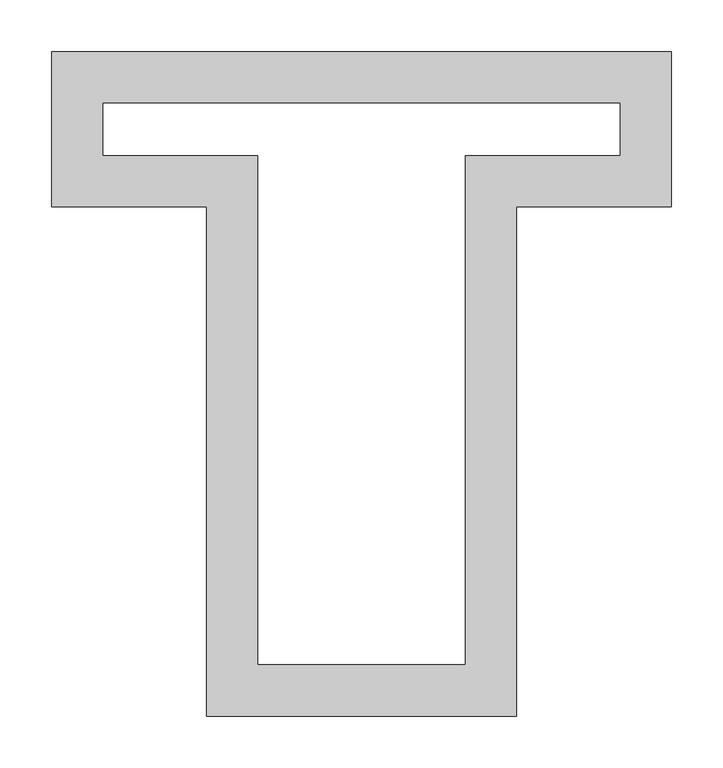
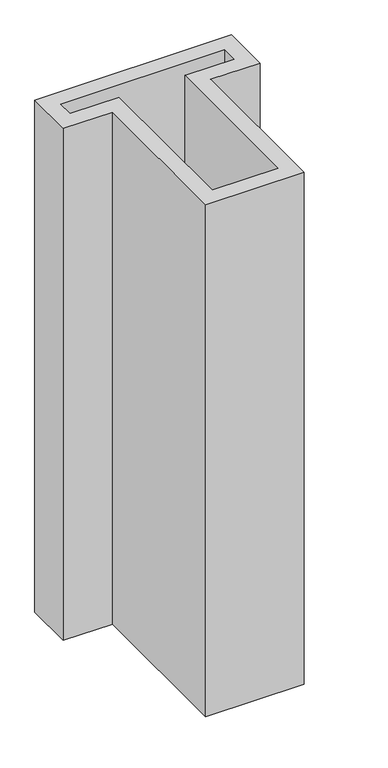
"""IFC4 building model written with IfcOpenShell, lengths in millimetres: proxy geometry."""

import ifcopenshell
import ifcopenshell.guid

model = None  # the IFC model being written
_history = None  # IfcOwnerHistory: only IFC2X3 demands one
_inside = {}  # id of a spatial element -> (the spatial element, [elements in it])
_under = {}  # id of a project, library or spatial element -> (it, [spatial elements below it])
_declared = {}  # id of a project -> (the project, [libraries it declares])
_typed = {}  # id of a type object -> (the type object, [elements of that type])
_made_of = {}  # id of a material, layer set ... -> (it, [elements and type objects made of it])


def new_model(schema):
    """Start an empty IFC model of exactly this schema.

    Asked for "IFC4X3", IfcOpenShell would pick the latest addendum, in which some entities
    have other attributes; the version numbers below select the first issue.
    IFC2X3 requires an IfcOwnerHistory on every rooted entity: one is made here for all.
    """
    global model, _history
    if schema == "IFC4X3":
        model = ifcopenshell.file(schema_version=(4, 3, 0, 0))
    else:
        model = ifcopenshell.file(schema=schema)
    _inside.clear()
    _under.clear()
    _declared.clear()
    _typed.clear()
    _made_of.clear()
    _history = None
    if model.schema == "IFC2X3":
        org = make("IfcOrganization", Name="unknown")
        user = make(
            "IfcPersonAndOrganization",
            ThePerson=make("IfcPerson", FamilyName="unknown"),
            TheOrganization=org,
        )
        app = make(
            "IfcApplication",
            ApplicationDeveloper=org,
            Version="unknown",
            ApplicationFullName="unknown",
            ApplicationIdentifier="unknown",
        )
        _history = make(
            "IfcOwnerHistory",
            OwningUser=user,
            OwningApplication=app,
            ChangeAction="ADDED",
            CreationDate=0,
        )
    return model


def make(cls, **values):
    """One entity of the class cls with the attributes given. An attribute that is None is left unset."""
    return model.create_entity(
        cls, **{name: value for name, value in values.items() if value is not None}
    )


def rooted(cls, **values):
    """An entity with a GlobalId (a new one), such as an element, a storey or a relation."""
    return make(cls, GlobalId=ifcopenshell.guid.new(), OwnerHistory=_history, **values)


def si_unit(unit_type, name, prefix=None):
    """IfcSIUnit, for example si_unit("LENGTHUNIT", "METRE", prefix="MILLI")."""
    return make("IfcSIUnit", UnitType=unit_type, Prefix=prefix, Name=name)


def assignment(units):
    """IfcUnitAssignment: the units of a project."""
    return None if units is None else make("IfcUnitAssignment", Units=units)


def point(xyz):
    """IfcCartesianPoint."""
    return None if xyz is None else make("IfcCartesianPoint", Coordinates=xyz)


def direction(xyz):
    """IfcDirection."""
    return None if xyz is None else make("IfcDirection", DirectionRatios=xyz)


def frame(location, z_axis=None, x_axis=None):
    """IfcAxis2Placement3D, a coordinate frame: its origin and axes. An axis left out is left unset."""
    return make(
        "IfcAxis2Placement3D",
        Location=point(location),
        Axis=direction(z_axis),
        RefDirection=direction(x_axis),
    )


def origin():
    """The frame at (0, 0, 0) with its axes left unset."""
    return frame((0.0, 0.0, 0.0))


def origin_with_axes():
    """The frame at (0, 0, 0) with the z axis (0, 0, 1) and the x axis (1, 0, 0) written out."""
    return frame((0.0, 0.0, 0.0), z_axis=(0.0, 0.0, 1.0), x_axis=(1.0, 0.0, 0.0))


def place(relative_to, where):
    """IfcLocalPlacement: puts the frame where relative to a parent placement (None: the world)."""
    return make(
        "IfcLocalPlacement", PlacementRelTo=relative_to, RelativePlacement=where
    )


def context(
    kind, dimensions, precision=None, world=None, true_north=None, identifier=None
):
    """IfcGeometricRepresentationContext, for example the 3D "Model" context."""
    return make(
        "IfcGeometricRepresentationContext",
        ContextIdentifier=identifier,
        ContextType=kind,
        CoordinateSpaceDimension=dimensions,
        Precision=precision,
        WorldCoordinateSystem=world,
        TrueNorth=true_north,
    )


def project(units=None, contexts=None):
    """IfcProject with its units and contexts."""
    return rooted(
        "IfcProject",
        Name="project",
        RepresentationContexts=contexts,
        UnitsInContext=assignment(units),
    )


def spatial(cls, under=None, at=None, **own):
    """A site, building, storey or space (cls), placed at a placement, below another one or the project."""
    s = rooted(cls, ObjectPlacement=at, **own)
    if under is not None:
        _under.setdefault(under.id(), (under, []))[1].append(s)
    return s


def polyline(points):
    """IfcPolyline through the points."""
    return make("IfcPolyline", Points=[point(p) for p in points])


def outline(outer, holes=None, kind="AREA"):
    """IfcArbitraryClosedProfileDef: a profile drawn as a closed curve; with holes, ...WithVoids."""
    if holes is None:
        return make("IfcArbitraryClosedProfileDef", ProfileType=kind, OuterCurve=outer)
    return make(
        "IfcArbitraryProfileDefWithVoids",
        ProfileType=kind,
        OuterCurve=outer,
        InnerCurves=holes,
    )


def extrude(swept, where, along, depth):
    """IfcExtrudedAreaSolid: the profile swept, set in the frame where, extruded along a direction by depth."""
    return make(
        "IfcExtrudedAreaSolid",
        SweptArea=swept,
        Position=where,
        ExtrudedDirection=direction(along),
        Depth=depth,
    )


def shape(context_of_items, identifier, shape_type, items):
    """IfcShapeRepresentation: the items that make up one representation, for example the "Body"."""
    return make(
        "IfcShapeRepresentation",
        ContextOfItems=context_of_items,
        RepresentationIdentifier=identifier,
        RepresentationType=shape_type,
        Items=items,
    )


def source(mapping_origin, context_of_items, identifier, shape_type, items):
    """IfcRepresentationMap: a shape defined once, which mapped items show again and again."""
    return make(
        "IfcRepresentationMap",
        MappingOrigin=mapping_origin,
        MappedRepresentation=shape(context_of_items, identifier, shape_type, items),
    )


def transform(
    local_origin,
    x_axis=None,
    y_axis=None,
    z_axis=None,
    scale=None,
    scale2=None,
    scale3=None,
    uniform=True,
):
    """IfcCartesianTransformationOperator3D, or its non-uniform kind. x_axis, y_axis, z_axis: its Axis1, 2, 3."""
    if uniform:
        return make(
            "IfcCartesianTransformationOperator3D",
            Axis1=direction(x_axis),
            Axis2=direction(y_axis),
            LocalOrigin=point(local_origin),
            Scale=scale,
            Axis3=direction(z_axis),
        )
    return make(
        "IfcCartesianTransformationOperator3DnonUniform",
        Axis1=direction(x_axis),
        Axis2=direction(y_axis),
        LocalOrigin=point(local_origin),
        Scale=scale,
        Axis3=direction(z_axis),
        Scale2=scale2,
        Scale3=scale3,
    )


def mapped(mapping_source, mapping_target):
    """IfcMappedItem: shows the shape of a source again, moved by a transform."""
    return make(
        "IfcMappedItem", MappingSource=mapping_source, MappingTarget=mapping_target
    )


def made_of(thing, what):
    """Note that an element or type object is made of a material, layer set ...; save() writes the relation."""
    if what is not None:
        _made_of.setdefault(what.id(), (what, []))[1].append(thing)
    return thing


def element(
    cls,
    number,
    at=None,
    inside=None,
    cuts=None,
    type_object=None,
    material=None,
    context=None,
    identifier="Body",
    shape_type=None,
    held_by="IfcProductDefinitionShape",
    body=None,
    shapes=None,
    **own,
):
    """One element of the class cls, such as IfcWall. Its Tag is "e" and its number.

    at: its placement. inside: the storey or other place that contains it. cuts: it is an
    opening in that element (IfcRelVoidsElement). A single representation is given by context,
    identifier, shape_type and body (its items); several are given by shapes. held_by: the class
    of the entity that holds the representations. save() writes the other relations.
    """
    e = rooted(cls, Tag="e%d" % number, ObjectPlacement=at, **own)
    if body is not None:
        shapes = [shape(context, identifier, shape_type, body)]
    if shapes is not None:
        e.Representation = make(held_by, Representations=shapes)
    if inside is not None:
        _inside.setdefault(inside.id(), (inside, []))[1].append(e)
    if cuts is not None:
        rooted(
            "IfcRelVoidsElement", RelatingBuildingElement=cuts, RelatedOpeningElement=e
        )
    if type_object is not None:
        _typed.setdefault(type_object.id(), (type_object, []))[1].append(e)
    return made_of(e, material)


def aggregate(whole, parts):
    """IfcRelAggregates: a whole, such as a stair, and the parts it consists of."""
    return rooted("IfcRelAggregates", RelatingObject=whole, RelatedObjects=parts)


def save(model, path):
    """Write the relations noted so far, then the file.

    IfcRelAggregates (storeys below a building ...), IfcRelContainedInSpatialStructure (elements
    in a storey), IfcRelDefinesByType, IfcRelAssociatesMaterial and IfcRelDeclares: one each for
    every whole, place, type object, material and project.
    """
    for whole, parts in _under.values():
        aggregate(whole, parts)
    for where, things in _inside.values():
        rooted(
            "IfcRelContainedInSpatialStructure",
            RelatedElements=things,
            RelatingStructure=where,
        )
    for kind, things in _typed.values():
        rooted("IfcRelDefinesByType", RelatedObjects=things, RelatingType=kind)
    for what, things in _made_of.values():
        rooted("IfcRelAssociatesMaterial", RelatedObjects=things, RelatingMaterial=what)
    for by, libraries in _declared.values():
        rooted("IfcRelDeclares", RelatingContext=by, RelatedDefinitions=libraries)
    model.write(path)


def generic_models_a35631bb(model_context):
    return source(origin(), model_context, "Body", "SweptSolid", [
        extrude(outline(polyline([(-300.0, 150.0), (-300.0, 300.0), (300.0, 300.0), (300.0, 150.0), (150.0, 150.0), (150.0, -342.8993824), (-150.0, -342.8993824), (-150.0, 150.0), (-300.0, 150.0)]), holes=[polyline([(-250.0, 200.0), (-100.0, 200.0), (-100.0, -292.8993824), (100.0, -292.8993824), (100.0, 200.0), (250.0, 200.0), (250.0, 250.0), (-250.0, 250.0), (-250.0, 200.0)])]), origin_with_axes(), (0.0, 0.0, 1.0), 1650.624144),
    ])


if __name__ == "__main__":
    model = new_model("IFC4")
    model_context = context("Model", 3, world=origin())
    ifc_project = project(units=[si_unit("LENGTHUNIT", "METRE", prefix="MILLI")], contexts=[model_context])
    site = spatial("IfcSite", under=ifc_project)
    building = spatial("IfcBuilding", under=site)
    placement = place(None, origin())
    generic_models_shape = generic_models_a35631bb(model_context)
    element("IfcBuildingElementProxy", 1, Name="Generic Models", at=placement, inside=building, context=model_context, shape_type="MappedRepresentation", body=[
        mapped(generic_models_shape, transform((0.0, 0.0, 0.0), x_axis=(1.0, 0.0, 0.0), y_axis=(0.0, 1.0, 0.0), z_axis=(0.0, 0.0, 1.0))),
    ])
    save(model, "model.ifc")
